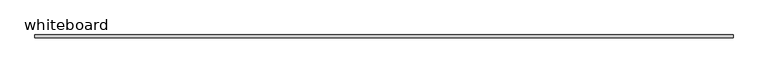
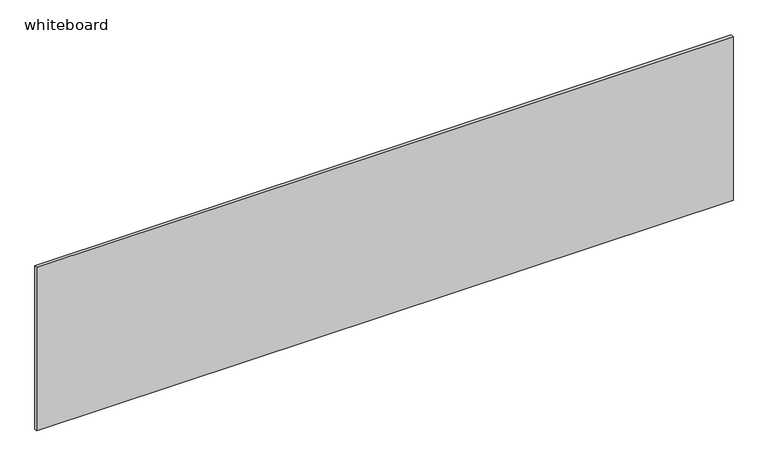
"""IFC4 building model written with IfcOpenShell, lengths in millimetres: proxy geometry, whiteboard."""

from ifc_helpers import new_model, si_unit, frame, origin, place, context, project, spatial, polyline, outline, extrude, source, transform, mapped, element, save


def whiteboard_d0f0f473(model_context):
    return source(origin(), model_context, "Body", "SweptSolid", [
        extrude(outline(polyline([(3070.225, 60.325), (-3070.225, 60.325), (-3070.225, 85.725), (3070.225, 85.725), (3070.225, 60.325)])), frame((0.0, 0.0, 609.6), z_axis=(0.0, 0.0, 1.0), x_axis=(1.0, 0.0, 0.0)), (0.0, 0.0, 1.0), 1524.0),
    ])


if __name__ == "__main__":
    model = new_model("IFC4")
    model_context = context("Model", 3, world=origin())
    ifc_project = project(units=[si_unit("LENGTHUNIT", "METRE", prefix="MILLI")], contexts=[model_context])
    site = spatial("IfcSite", under=ifc_project)
    building = spatial("IfcBuilding", under=site)
    placement = place(None, origin())
    whiteboard_shape = whiteboard_d0f0f473(model_context)
    element("IfcBuildingElementProxy", 1, Name="whiteboard", ObjectType="whiteboard", at=placement, inside=building, context=model_context, shape_type="MappedRepresentation", body=[
        mapped(whiteboard_shape, transform((0.0, 0.0, 0.0), x_axis=(1.0, 0.0, 0.0), y_axis=(0.0, 1.0, 0.0), z_axis=(0.0, 0.0, 1.0))),
    ])
    save(model, "model.ifc")
